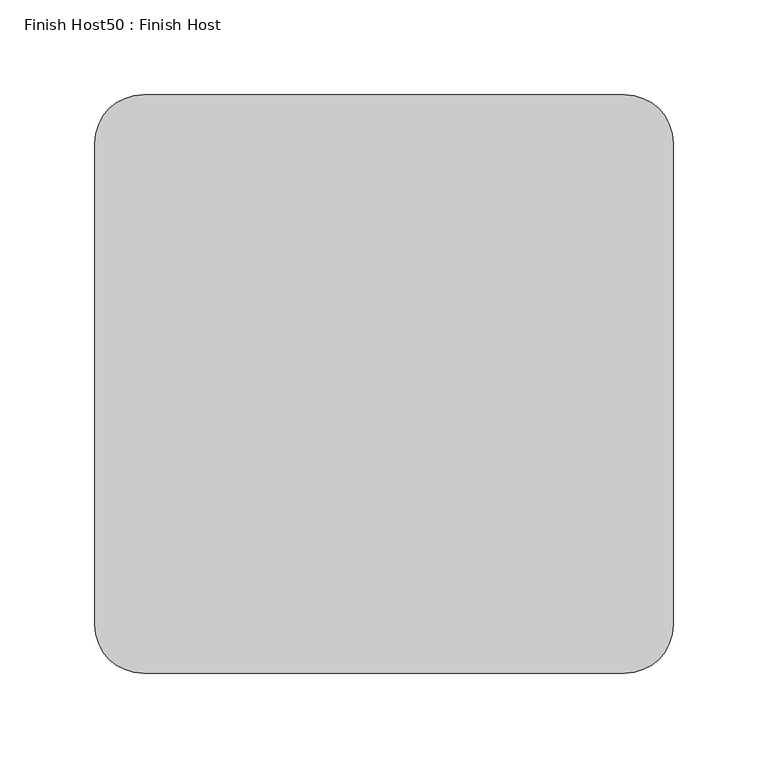
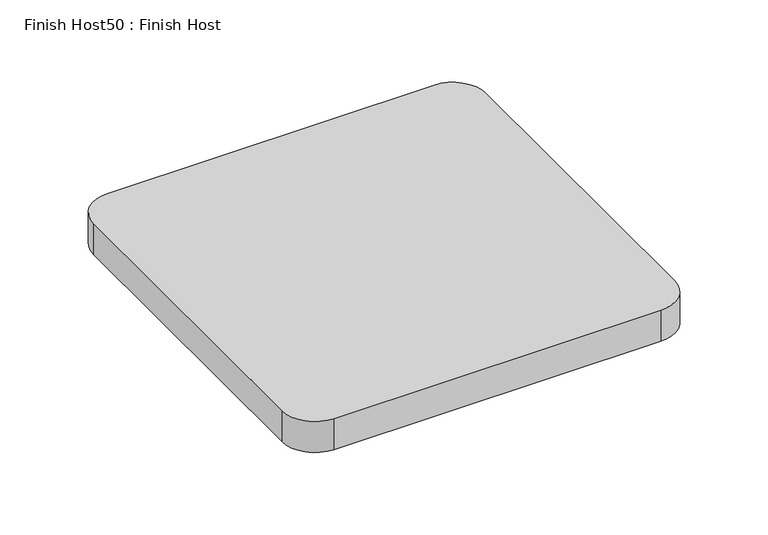
"""IFC4 building model written with IfcOpenShell, lengths in millimetres: proxy geometry, Finish Host50 : Finish Host."""

from ifc_helpers import new_model, si_unit, point, frame_2d, origin, origin_with_axes, place, context, project, spatial, polyline, circle_curve, trimmed, segment, composite_curve, outline, extrude, source, transform, mapped, element, save


def finish_host50_finish_host_a668aa0e(model_context):
    return source(origin(), model_context, "Body", "SweptSolid", [
        extrude(outline(composite_curve([segment(polyline([(6880.6934426, 1206.8122951), (6880.6934426, 1460.8122951)]), True, "CONTINUOUS"), segment(trimmed(circle_curve(frame_2d((6906.0934426, 1460.8122951)), 25.4), [point((6880.6934426, 1460.8122951))], [point((6906.0934426, 1486.2122951))], False, "CARTESIAN"), True, "CONTINUOUS"), segment(polyline([(6906.0934426, 1486.2122951), (7160.0934426, 1486.2122951)]), True, "CONTINUOUS"), segment(trimmed(circle_curve(frame_2d((7160.0934426, 1460.8122951)), 25.4), [point((7160.0934426, 1486.2122951))], [point((7185.4934426, 1460.8122951))], False, "CARTESIAN"), True, "CONTINUOUS"), segment(polyline([(7185.4934426, 1460.8122951), (7185.4934426, 1206.8122951)]), True, "CONTINUOUS"), segment(trimmed(circle_curve(frame_2d((7160.0934426, 1206.8122951)), 25.4), [point((7185.4934426, 1206.8122951))], [point((7160.0934426, 1181.4122951))], False, "CARTESIAN"), True, "CONTINUOUS"), segment(polyline([(7160.0934426, 1181.4122951), (6906.0934426, 1181.4122951)]), True, "CONTINUOUS"), segment(trimmed(circle_curve(frame_2d((6906.0934426, 1206.8122951)), 25.4), [point((6906.0934426, 1181.4122951))], [point((6880.6934426, 1206.8122951))], False, "CARTESIAN"), True, "CONTINUOUS")], self_intersect=False)), origin_with_axes(), (0.0, 0.0, 1.0), 25.4),
    ])


if __name__ == "__main__":
    model = new_model("IFC4")
    model_context = context("Model", 3, world=origin())
    ifc_project = project(units=[si_unit("LENGTHUNIT", "METRE", prefix="MILLI")], contexts=[model_context])
    site = spatial("IfcSite", under=ifc_project)
    building = spatial("IfcBuilding", under=site)
    placement = place(None, origin())
    finish_host50_finish_host_shape = finish_host50_finish_host_a668aa0e(model_context)
    element("IfcBuildingElementProxy", 1, Name="Finish Host50 : Finish Host", ObjectType="Finish Host50 : Finish Host", at=placement, inside=building, context=model_context, shape_type="MappedRepresentation", body=[
        mapped(finish_host50_finish_host_shape, transform((0.0, 0.0, 0.0), x_axis=(1.0, 0.0, 0.0), y_axis=(0.0, 1.0, 0.0), z_axis=(0.0, 0.0, 1.0))),
    ])
    save(model, "model.ifc")
